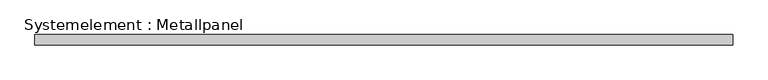
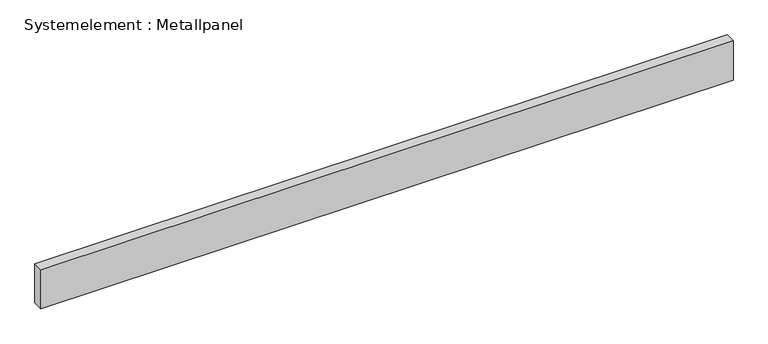
"""IFC4 building model written with IfcOpenShell, lengths in millimetres: plate geometry, Systemelement : Metallpanel."""

from ifc_helpers import new_model, si_unit, origin, origin_with_axes, place, context, project, spatial, polyline, outline, extrude, source, transform, mapped, element, save


def systemelement_metallpanel_9b1ac2b4(model_context):
    return source(origin(), model_context, "Body", "SweptSolid", [
        extrude(outline(polyline([(1000.0, -15.0), (-1000.0, -15.0), (-1000.0, 15.0), (1000.0, 15.0), (1000.0, -15.0)])), origin_with_axes(), (0.0, 0.0, 1.0), 120.0),
    ])


if __name__ == "__main__":
    model = new_model("IFC4")
    model_context = context("Model", 3, world=origin())
    ifc_project = project(units=[si_unit("LENGTHUNIT", "METRE", prefix="MILLI")], contexts=[model_context])
    site = spatial("IfcSite", under=ifc_project)
    building = spatial("IfcBuilding", under=site)
    placement = place(None, origin())
    systemelement_metallpanel_shape = systemelement_metallpanel_9b1ac2b4(model_context)
    element("IfcPlate", 1, ObjectType="Systemelement : Metallpanel", at=placement, inside=building, context=model_context, shape_type="MappedRepresentation", body=[
        mapped(systemelement_metallpanel_shape, transform((0.0, 0.0, 0.0), x_axis=(1.0, 0.0, 0.0), y_axis=(0.0, 1.0, 0.0), z_axis=(0.0, 0.0, 1.0))),
    ])
    save(model, "model.ifc")
